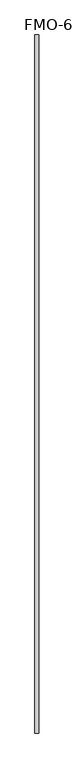
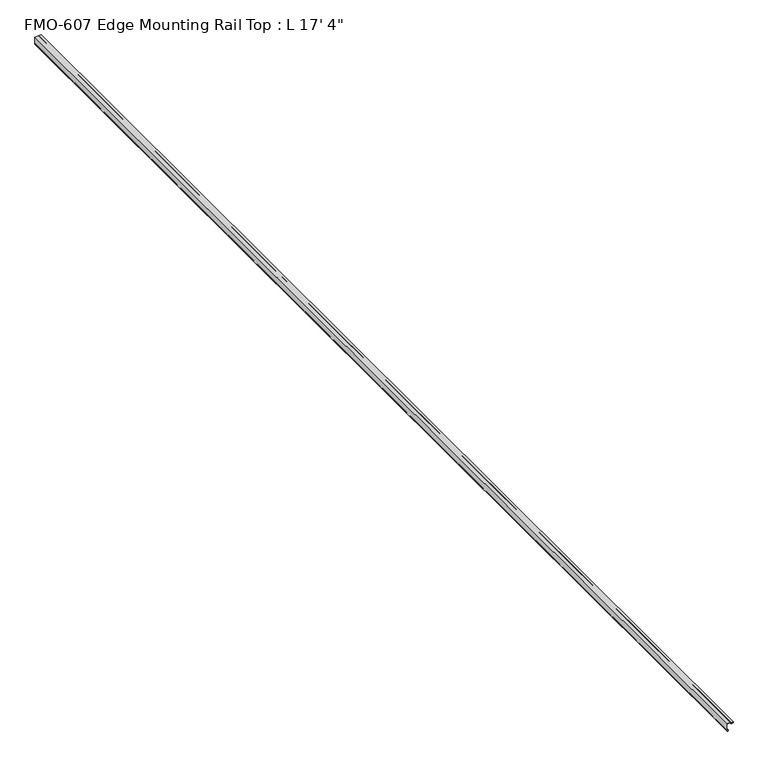
"""IFC4 building model written with IfcOpenShell, lengths in millimetres: proxy geometry."""

from ifc_helpers import new_model, si_unit, point, frame, frame_2d, origin, place, context, project, spatial, polyline, circle_curve, trimmed, segment, composite_curve, outline, extrude, source, transform, mapped, element, save


def proxy_7ba3f51e(model_context):
    return source(origin(), model_context, "Body", "SweptSolid", [
        extrude(outline(composite_curve([segment(polyline([(3.6555577, 0.0), (3.6555577, 1.3075622)]), True, "CONTINUOUS"), segment(trimmed(circle_curve(frame_2d((2.0680577, 1.3075622)), 1.5875), [point((3.6555577, 1.3075622))], [point((2.0680577, 2.8950622))], True, "CARTESIAN"), True, "CONTINUOUS"), segment(polyline([(2.0680577, 2.8950622), (0.6615116, 2.8950622)]), True, "CONTINUOUS"), segment(trimmed(circle_curve(frame_2d((0.4195376, 3.2377871)), 0.4195376), [point((0.6615116, 2.8950622))], [point((0.0768127, 3.4797611))], False, "CARTESIAN"), True, "CONTINUOUS"), segment(polyline([(0.0768127, 3.4797611), (0.6792408, 5.4099313)]), True, "CONTINUOUS"), segment(trimmed(circle_curve(frame_2d((3.5888175, 4.5018192)), 3.048), [point((0.6792408, 5.4099313))], [point((2.0013175, 7.1037699))], False, "CARTESIAN"), True, "CONTINUOUS"), segment(trimmed(circle_curve(frame_2d((3.5888175, 4.5018192)), 3.048), [point((2.0013175, 7.1037699))], [point((6.4983942, 5.4099313))], False, "CARTESIAN"), True, "CONTINUOUS"), segment(polyline([(6.4983942, 5.4099313), (7.1097745, 3.4510785)]), True, "CONTINUOUS"), segment(trimmed(circle_curve(frame_2d((6.7570465, 3.2469133)), 0.4075542), [point((7.1097745, 3.4510785))], [point((6.6530766, 2.8528439))], False, "CARTESIAN"), True, "CONTINUOUS"), segment(polyline([(6.6530766, 2.8528439), (5.8574942, 2.8159656)]), True, "CONTINUOUS"), segment(trimmed(circle_curve(frame_2d((6.1955577, 2.1330622)), 0.762), [point((5.8574942, 2.8159656))], [point((5.4338383, 2.1123834))], True, "CARTESIAN"), True, "CONTINUOUS"), segment(trimmed(circle_curve(frame_2d((5.9415577, 2.0955)), 0.508), [point((5.4338383, 2.1123834))], [point((5.9415577, 1.5875))], True, "CARTESIAN"), True, "CONTINUOUS"), segment(polyline([(5.9415577, 1.5875), (9.8505706, 1.5875), (10.5405923, 1.1563266), (11.8133682, 1.1563266), (12.4830656, 1.5748), (33.9084274, 1.5748)]), True, "CONTINUOUS"), segment(trimmed(circle_curve(frame_2d((33.9084274, 3.1623)), 1.5875), [point((33.9084274, 1.5748))], [point((35.4959274, 3.1623))], True, "CARTESIAN"), True, "CONTINUOUS"), segment(polyline([(35.4959274, 3.1623), (35.4959274, 16.8275)]), True, "CONTINUOUS"), segment(trimmed(circle_curve(frame_2d((33.9084274, 16.8275)), 1.5875), [point((35.4959274, 16.8275))], [point((33.9084274, 18.415))], True, "CARTESIAN"), True, "CONTINUOUS"), segment(polyline([(33.9084274, 18.415), (31.3811274, 18.415), (31.3811274, 21.6027)]), True, "CONTINUOUS"), segment(trimmed(circle_curve(frame_2d((31.3811274, 23.1775)), 1.5748), [point((31.3811274, 21.6027))], [point((31.3811274, 24.7523))], False, "CARTESIAN"), True, "CONTINUOUS"), segment(polyline([(31.3811274, 24.7523), (31.3811274, 28.575), (32.9559274, 28.575), (32.7010384, 27.6860962), (32.9543259, 26.9233631), (32.7003246, 26.1623033), (32.9571586, 25.3984107), (32.702213, 24.6373509), (32.9562144, 23.876291), (32.7012688, 23.1161754), (32.9624436, 22.3576686), (32.703792, 21.6146995), (32.9590984, 20.8732358), (32.7012688, 20.1309001), (35.7519688, 20.1309001), (35.4967547, 20.8720957), (35.7564202, 21.6262189), (35.4962053, 22.3819377), (35.7508844, 23.1657594), (35.494102, 23.9115095), (35.7507003, 24.6800501), (35.4987763, 25.4358222), (35.7482875, 26.2037386), (35.4980445, 26.9544675), (35.7536838, 27.696898), (35.4959271, 28.575), (37.0707274, 28.575), (37.0707274, 0.0), (3.6555577, 0.0)]), True, "CONTINUOUS")], self_intersect=False)), frame((0.0, -304.8, 0.0), z_axis=(0.0, 1.0, 0.0), x_axis=(0.0, 0.0, 1.0)), (0.0, 0.0, 1.0), 5283.2),
    ])


if __name__ == "__main__":
    model = new_model("IFC4")
    model_context = context("Model", 3, world=origin())
    ifc_project = project(units=[si_unit("LENGTHUNIT", "METRE", prefix="MILLI")], contexts=[model_context])
    site = spatial("IfcSite", under=ifc_project)
    building = spatial("IfcBuilding", under=site)
    placement = place(None, origin())
    proxy_shape = proxy_7ba3f51e(model_context)
    element("IfcBuildingElementProxy", 1, Name="FMO-607 Edge Mounting Rail Top : L 17' 4\"", ObjectType="FMO-607 Edge Mounting Rail Top : L 17' 4\"", at=placement, inside=building, context=model_context, shape_type="MappedRepresentation", body=[
        mapped(proxy_shape, transform((0.0, 0.0, 0.0), x_axis=(1.0, 0.0, 0.0), y_axis=(0.0, 1.0, 0.0), z_axis=(0.0, 0.0, 1.0))),
    ])
    save(model, "model.ifc")
